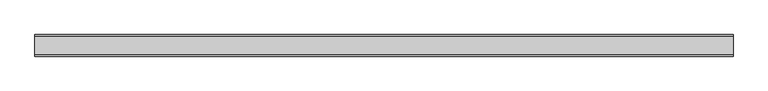
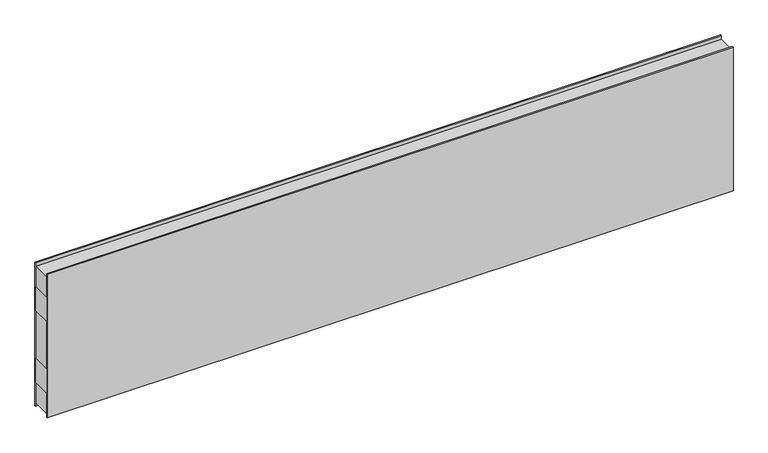
"""IFC4 building model written with IfcOpenShell, lengths in millimetres: plate geometry."""

import ifcopenshell
import ifcopenshell.guid

model = None  # the IFC model being written
_history = None  # IfcOwnerHistory: only IFC2X3 demands one
_inside = {}  # id of a spatial element -> (the spatial element, [elements in it])
_under = {}  # id of a project, library or spatial element -> (it, [spatial elements below it])
_declared = {}  # id of a project -> (the project, [libraries it declares])
_typed = {}  # id of a type object -> (the type object, [elements of that type])
_made_of = {}  # id of a material, layer set ... -> (it, [elements and type objects made of it])


def new_model(schema):
    """Start an empty IFC model of exactly this schema.

    Asked for "IFC4X3", IfcOpenShell would pick the latest addendum, in which some entities
    have other attributes; the version numbers below select the first issue.
    IFC2X3 requires an IfcOwnerHistory on every rooted entity: one is made here for all.
    """
    global model, _history
    if schema == "IFC4X3":
        model = ifcopenshell.file(schema_version=(4, 3, 0, 0))
    else:
        model = ifcopenshell.file(schema=schema)
    _inside.clear()
    _under.clear()
    _declared.clear()
    _typed.clear()
    _made_of.clear()
    _history = None
    if model.schema == "IFC2X3":
        org = make("IfcOrganization", Name="unknown")
        user = make(
            "IfcPersonAndOrganization",
            ThePerson=make("IfcPerson", FamilyName="unknown"),
            TheOrganization=org,
        )
        app = make(
            "IfcApplication",
            ApplicationDeveloper=org,
            Version="unknown",
            ApplicationFullName="unknown",
            ApplicationIdentifier="unknown",
        )
        _history = make(
            "IfcOwnerHistory",
            OwningUser=user,
            OwningApplication=app,
            ChangeAction="ADDED",
            CreationDate=0,
        )
    return model


def make(cls, **values):
    """One entity of the class cls with the attributes given. An attribute that is None is left unset."""
    return model.create_entity(
        cls, **{name: value for name, value in values.items() if value is not None}
    )


def rooted(cls, **values):
    """An entity with a GlobalId (a new one), such as an element, a storey or a relation."""
    return make(cls, GlobalId=ifcopenshell.guid.new(), OwnerHistory=_history, **values)


def si_unit(unit_type, name, prefix=None):
    """IfcSIUnit, for example si_unit("LENGTHUNIT", "METRE", prefix="MILLI")."""
    return make("IfcSIUnit", UnitType=unit_type, Prefix=prefix, Name=name)


def assignment(units):
    """IfcUnitAssignment: the units of a project."""
    return None if units is None else make("IfcUnitAssignment", Units=units)


def point(xyz):
    """IfcCartesianPoint."""
    return None if xyz is None else make("IfcCartesianPoint", Coordinates=xyz)


def direction(xyz):
    """IfcDirection."""
    return None if xyz is None else make("IfcDirection", DirectionRatios=xyz)


def frame(location, z_axis=None, x_axis=None):
    """IfcAxis2Placement3D, a coordinate frame: its origin and axes. An axis left out is left unset."""
    return make(
        "IfcAxis2Placement3D",
        Location=point(location),
        Axis=direction(z_axis),
        RefDirection=direction(x_axis),
    )


def origin():
    """The frame at (0, 0, 0) with its axes left unset."""
    return frame((0.0, 0.0, 0.0))


def origin_with_axes():
    """The frame at (0, 0, 0) with the z axis (0, 0, 1) and the x axis (1, 0, 0) written out."""
    return frame((0.0, 0.0, 0.0), z_axis=(0.0, 0.0, 1.0), x_axis=(1.0, 0.0, 0.0))


def place(relative_to, where):
    """IfcLocalPlacement: puts the frame where relative to a parent placement (None: the world)."""
    return make(
        "IfcLocalPlacement", PlacementRelTo=relative_to, RelativePlacement=where
    )


def context(
    kind, dimensions, precision=None, world=None, true_north=None, identifier=None
):
    """IfcGeometricRepresentationContext, for example the 3D "Model" context."""
    return make(
        "IfcGeometricRepresentationContext",
        ContextIdentifier=identifier,
        ContextType=kind,
        CoordinateSpaceDimension=dimensions,
        Precision=precision,
        WorldCoordinateSystem=world,
        TrueNorth=true_north,
    )


def project(units=None, contexts=None):
    """IfcProject with its units and contexts."""
    return rooted(
        "IfcProject",
        Name="project",
        RepresentationContexts=contexts,
        UnitsInContext=assignment(units),
    )


def spatial(cls, under=None, at=None, **own):
    """A site, building, storey or space (cls), placed at a placement, below another one or the project."""
    s = rooted(cls, ObjectPlacement=at, **own)
    if under is not None:
        _under.setdefault(under.id(), (under, []))[1].append(s)
    return s


def polyline(points):
    """IfcPolyline through the points."""
    return make("IfcPolyline", Points=[point(p) for p in points])


def outline(outer, holes=None, kind="AREA"):
    """IfcArbitraryClosedProfileDef: a profile drawn as a closed curve; with holes, ...WithVoids."""
    if holes is None:
        return make("IfcArbitraryClosedProfileDef", ProfileType=kind, OuterCurve=outer)
    return make(
        "IfcArbitraryProfileDefWithVoids",
        ProfileType=kind,
        OuterCurve=outer,
        InnerCurves=holes,
    )


def extrude(swept, where, along, depth):
    """IfcExtrudedAreaSolid: the profile swept, set in the frame where, extruded along a direction by depth."""
    return make(
        "IfcExtrudedAreaSolid",
        SweptArea=swept,
        Position=where,
        ExtrudedDirection=direction(along),
        Depth=depth,
    )


def shape(context_of_items, identifier, shape_type, items):
    """IfcShapeRepresentation: the items that make up one representation, for example the "Body"."""
    return make(
        "IfcShapeRepresentation",
        ContextOfItems=context_of_items,
        RepresentationIdentifier=identifier,
        RepresentationType=shape_type,
        Items=items,
    )


def source(mapping_origin, context_of_items, identifier, shape_type, items):
    """IfcRepresentationMap: a shape defined once, which mapped items show again and again."""
    return make(
        "IfcRepresentationMap",
        MappingOrigin=mapping_origin,
        MappedRepresentation=shape(context_of_items, identifier, shape_type, items),
    )


def transform(
    local_origin,
    x_axis=None,
    y_axis=None,
    z_axis=None,
    scale=None,
    scale2=None,
    scale3=None,
    uniform=True,
):
    """IfcCartesianTransformationOperator3D, or its non-uniform kind. x_axis, y_axis, z_axis: its Axis1, 2, 3."""
    if uniform:
        return make(
            "IfcCartesianTransformationOperator3D",
            Axis1=direction(x_axis),
            Axis2=direction(y_axis),
            LocalOrigin=point(local_origin),
            Scale=scale,
            Axis3=direction(z_axis),
        )
    return make(
        "IfcCartesianTransformationOperator3DnonUniform",
        Axis1=direction(x_axis),
        Axis2=direction(y_axis),
        LocalOrigin=point(local_origin),
        Scale=scale,
        Axis3=direction(z_axis),
        Scale2=scale2,
        Scale3=scale3,
    )


def mapped(mapping_source, mapping_target):
    """IfcMappedItem: shows the shape of a source again, moved by a transform."""
    return make(
        "IfcMappedItem", MappingSource=mapping_source, MappingTarget=mapping_target
    )


def made_of(thing, what):
    """Note that an element or type object is made of a material, layer set ...; save() writes the relation."""
    if what is not None:
        _made_of.setdefault(what.id(), (what, []))[1].append(thing)
    return thing


def element(
    cls,
    number,
    at=None,
    inside=None,
    cuts=None,
    type_object=None,
    material=None,
    context=None,
    identifier="Body",
    shape_type=None,
    held_by="IfcProductDefinitionShape",
    body=None,
    shapes=None,
    **own,
):
    """One element of the class cls, such as IfcWall. Its Tag is "e" and its number.

    at: its placement. inside: the storey or other place that contains it. cuts: it is an
    opening in that element (IfcRelVoidsElement). A single representation is given by context,
    identifier, shape_type and body (its items); several are given by shapes. held_by: the class
    of the entity that holds the representations. save() writes the other relations.
    """
    e = rooted(cls, Tag="e%d" % number, ObjectPlacement=at, **own)
    if body is not None:
        shapes = [shape(context, identifier, shape_type, body)]
    if shapes is not None:
        e.Representation = make(held_by, Representations=shapes)
    if inside is not None:
        _inside.setdefault(inside.id(), (inside, []))[1].append(e)
    if cuts is not None:
        rooted(
            "IfcRelVoidsElement", RelatingBuildingElement=cuts, RelatedOpeningElement=e
        )
    if type_object is not None:
        _typed.setdefault(type_object.id(), (type_object, []))[1].append(e)
    return made_of(e, material)


def aggregate(whole, parts):
    """IfcRelAggregates: a whole, such as a stair, and the parts it consists of."""
    return rooted("IfcRelAggregates", RelatingObject=whole, RelatedObjects=parts)


def save(model, path):
    """Write the relations noted so far, then the file.

    IfcRelAggregates (storeys below a building ...), IfcRelContainedInSpatialStructure (elements
    in a storey), IfcRelDefinesByType, IfcRelAssociatesMaterial and IfcRelDeclares: one each for
    every whole, place, type object, material and project.
    """
    for whole, parts in _under.values():
        aggregate(whole, parts)
    for where, things in _inside.values():
        rooted(
            "IfcRelContainedInSpatialStructure",
            RelatedElements=things,
            RelatingStructure=where,
        )
    for kind, things in _typed.values():
        rooted("IfcRelDefinesByType", RelatedObjects=things, RelatingType=kind)
    for what, things in _made_of.values():
        rooted("IfcRelAssociatesMaterial", RelatedObjects=things, RelatingMaterial=what)
    for by, libraries in _declared.values():
        rooted("IfcRelDeclares", RelatingContext=by, RelatedDefinitions=libraries)
    model.write(path)


def plate_881c21a7(model_context):
    return source(origin(), model_context, "Body", "SweptSolid", [
        extrude(outline(polyline([(-1354.8858409, -37.5), (-1354.8858409, 37.5), (1354.8858409, 37.5), (1354.8858409, -37.5), (-1354.8858409, -37.5)])), frame((0.0, 0.0, 400.0), z_axis=(0.0, 0.0, 1.0), x_axis=(1.0, 0.0, 0.0)), (0.0, 0.0, 1.0), 100.0),
        extrude(outline(polyline([(-1354.8858409, -37.5), (-1354.8858409, 37.5), (1354.8858409, 37.5), (1354.8858409, -37.5), (-1354.8858409, -37.5)])), frame((0.0, 0.0, 100.0), z_axis=(0.0, 0.0, 1.0), x_axis=(1.0, 0.0, 0.0)), (0.0, 0.0, 1.0), 100.0),
        extrude(outline(polyline([(-1354.8858409, -42.0), (-1354.8858409, -37.5), (1354.8858409, -37.5), (1354.8858409, -42.0), (-1354.8858409, -42.0)])), origin_with_axes(), (0.0, 0.0, 1.0), 600.0),
        extrude(outline(polyline([(-1354.8858409, 37.5), (-1354.8858409, 42.0), (1354.8858409, 42.0), (1354.8858409, 37.5), (-1354.8858409, 37.5)])), origin_with_axes(), (0.0, 0.0, 1.0), 600.0),
        extrude(outline(polyline([(1354.8858409, 37.5), (1354.8858409, -37.5), (-1354.8858409, -37.5), (-1354.8858409, 37.5), (1354.8858409, 37.5)])), frame((0.0, 0.0, 500.0), z_axis=(0.0, 0.0, 1.0), x_axis=(1.0, 0.0, 0.0)), (0.0, 0.0, 1.0), 85.0),
        extrude(outline(polyline([(1354.8858409, 37.5), (1354.8858409, -37.5), (-1354.8858409, -37.5), (-1354.8858409, 37.5), (1354.8858409, 37.5)])), frame((0.0, 0.0, 15.0), z_axis=(0.0, 0.0, 1.0), x_axis=(1.0, 0.0, 0.0)), (0.0, 0.0, 1.0), 85.0),
        extrude(outline(polyline([(1354.8858409, 37.5), (1354.8858409, -37.5), (-1354.8858409, -37.5), (-1354.8858409, 37.5), (1354.8858409, 37.5)])), frame((0.0, 0.0, 200.0), z_axis=(0.0, 0.0, 1.0), x_axis=(1.0, 0.0, 0.0)), (0.0, 0.0, 1.0), 200.0),
    ])


if __name__ == "__main__":
    model = new_model("IFC4")
    model_context = context("Model", 3, world=origin())
    ifc_project = project(units=[si_unit("LENGTHUNIT", "METRE", prefix="MILLI")], contexts=[model_context])
    site = spatial("IfcSite", under=ifc_project)
    building = spatial("IfcBuilding", under=site)
    placement = place(None, origin())
    plate_shape = plate_881c21a7(model_context)
    element("IfcPlate", 1, at=placement, inside=building, context=model_context, shape_type="MappedRepresentation", body=[
        mapped(plate_shape, transform((0.0, 0.0, 0.0), x_axis=(1.0, 0.0, 0.0), y_axis=(0.0, 1.0, 0.0), z_axis=(0.0, 0.0, 1.0))),
    ])
    save(model, "model.ifc")
